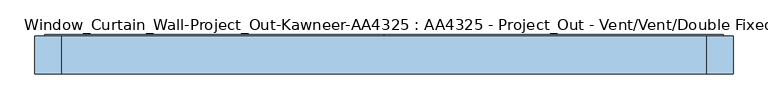
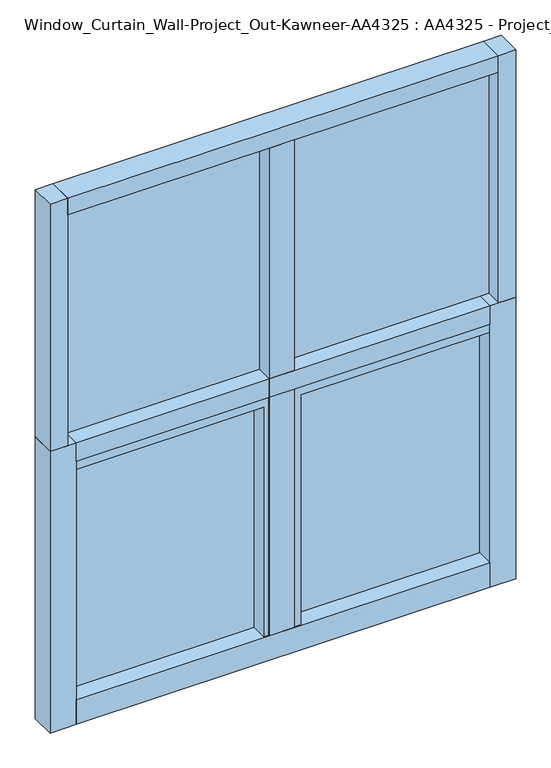
"""IFC4 building model written with IfcOpenShell, lengths in millimetres: window geometry, Window_Curtain_Wall-Project_Out-Kawneer-AA4325 : AA4325 - Project_Out - Vent/Vent/Double Fixed-Top."""

from ifc_helpers import new_model, si_unit, frame, origin, origin_with_axes, place, context, project, spatial, polyline, outline, extrude, source, transform, mapped, element, save


def window_curtain_wall_project_out_kawneer_aa4325_aa4325_d1d700b5(model_context):
    return source(origin(), model_context, "Body", "SweptSolid", [
        extrude(outline(polyline([(762.0, 41.275), (762.0, -41.275), (704.85, -41.275), (704.85, 41.275), (762.0, 41.275)])), frame((0.0, 0.0, 974.328125), z_axis=(0.0, 0.0, 1.0), x_axis=(1.0, 0.0, 0.0)), (0.0, 0.0, 1.0), 854.471875),
        extrude(outline(polyline([(-762.0, 41.275), (-704.85, 41.275), (-704.85, -41.275), (-762.0, -41.275), (-762.0, 41.275)])), frame((0.0, 0.0, 974.328125), z_axis=(0.0, 0.0, 1.0), x_axis=(1.0, 0.0, 0.0)), (0.0, 0.0, 1.0), 854.471875),
        extrude(outline(polyline([(676.275, 41.275), (676.275, -41.275), (-676.275, -41.275), (-676.275, 41.275), (676.275, 41.275)])), frame((0.0, 0.0, 910.828125), z_axis=(0.0, 0.0, 1.0), x_axis=(1.0, 0.0, 0.0)), (0.0, 0.0, 1.0), 63.5),
        extrude(outline(polyline([(37.30625, -41.275), (-45.24375, -41.275), (-45.24375, 41.275), (37.30625, 41.275), (37.30625, -41.275)])), frame((0.0, 0.0, 85.725), z_axis=(0.0, 0.0, 1.0), x_axis=(1.0, 0.0, 0.0)), (0.0, 0.0, 1.0), 1685.925),
        extrude(outline(polyline([(21.43125, -740.56875), (21.43125, -0.79375), (939.403125, -0.79375), (939.403125, -740.56875), (21.43125, -740.56875)]), holes=[polyline([(879.078125, -680.24375), (879.078125, -61.11875), (81.75625, -61.11875), (81.75625, -680.24375), (879.078125, -680.24375)])]), frame((0.0, -38.1, 0.0), z_axis=(0.0, 1.0, 0.0), x_axis=(0.0, 0.0, 1.0)), (0.0, 0.0, 1.0), 82.55),
        extrude(outline(polyline([(939.403125, 740.56875), (939.403125, 0.79375), (21.43125, 0.79375), (21.43125, 740.56875), (939.403125, 740.56875)]), holes=[polyline([(81.75625, 680.24375), (81.75625, 61.11875), (879.078125, 61.11875), (879.078125, 680.24375), (81.75625, 680.24375)])]), frame((0.0, -38.1, 0.0), z_axis=(0.0, 1.0, 0.0), x_axis=(0.0, 0.0, 1.0)), (0.0, 0.0, 1.0), 82.55),
        extrude(outline(polyline([(-704.85, 12.7), (-704.85, 38.1), (704.85, 38.1), (704.85, 12.7), (-704.85, 12.7)])), frame((0.0, 0.0, 974.328125), z_axis=(0.0, 0.0, 1.0), x_axis=(1.0, 0.0, 0.0)), (0.0, 0.0, 1.0), 797.321875),
        extrude(outline(polyline([(61.11875, 15.875), (61.11875, 41.275), (680.24375, 41.275), (680.24375, 15.875), (61.11875, 15.875)])), frame((0.0, 0.0, 81.75625), z_axis=(0.0, 0.0, 1.0), x_axis=(1.0, 0.0, 0.0)), (0.0, 0.0, 1.0), 797.321875),
        extrude(outline(polyline([(-680.24375, 15.875), (-680.24375, 41.275), (-61.11875, 41.275), (-61.11875, 15.875), (-680.24375, 15.875)])), frame((0.0, 0.0, 81.75625), z_axis=(0.0, 0.0, 1.0), x_axis=(1.0, 0.0, 0.0)), (0.0, 0.0, 1.0), 797.321875),
        extrude(outline(polyline([(704.85, 41.275), (704.85, -41.275), (-704.85, -41.275), (-704.85, 41.275), (704.85, 41.275)])), frame((0.0, 0.0, 1771.65), z_axis=(0.0, 0.0, 1.0), x_axis=(1.0, 0.0, 0.0)), (0.0, 0.0, 1.0), 57.15),
        extrude(outline(polyline([(676.275, 41.275), (676.275, -41.275), (-676.275, -41.275), (-676.275, 41.275), (676.275, 41.275)])), origin_with_axes(), (0.0, 0.0, 1.0), 85.725),
        extrude(outline(polyline([(-762.0, -41.275), (-762.0, 41.275), (-676.275, 41.275), (-676.275, -41.275), (-762.0, -41.275)])), origin_with_axes(), (0.0, 0.0, 1.0), 974.328125),
        extrude(outline(polyline([(762.0, -41.275), (676.275, -41.275), (676.275, 41.275), (762.0, 41.275), (762.0, -41.275)])), origin_with_axes(), (0.0, 0.0, 1.0), 974.328125),
    ])


if __name__ == "__main__":
    model = new_model("IFC4")
    model_context = context("Model", 3, world=origin())
    ifc_project = project(units=[si_unit("LENGTHUNIT", "METRE", prefix="MILLI")], contexts=[model_context])
    site = spatial("IfcSite", under=ifc_project)
    building = spatial("IfcBuilding", under=site)
    placement = place(None, origin())
    window_curtain_wall_project_out_kawneer_aa4325_aa4325_shape = window_curtain_wall_project_out_kawneer_aa4325_aa4325_d1d700b5(model_context)
    element("IfcWindow", 1, ObjectType="Window_Curtain_Wall-Project_Out-Kawneer-AA4325 : AA4325 - Project_Out - Vent/Vent/Double Fixed-Top", at=placement, inside=building, context=model_context, shape_type="MappedRepresentation", body=[
        mapped(window_curtain_wall_project_out_kawneer_aa4325_aa4325_shape, transform((0.0, 0.0, 0.0), x_axis=(1.0, 0.0, 0.0), y_axis=(0.0, 1.0, 0.0), z_axis=(0.0, 0.0, 1.0))),
    ])
    save(model, "model.ifc")
